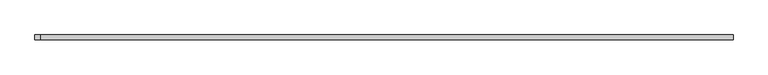
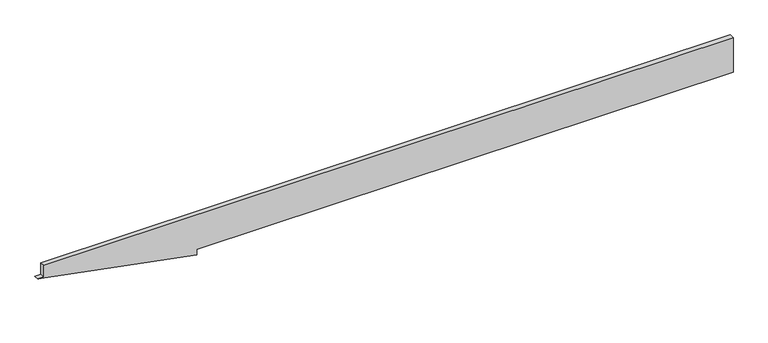
"""IFC4 building model written with IfcOpenShell, lengths in millimetres: plate geometry."""

from ifc_helpers import new_model, si_unit, frame, origin, place, context, project, spatial, polyline, outline, extrude, source, transform, mapped, element, save


def plate_e84af1c8(model_context):
    return source(origin(), model_context, "Body", "SweptSolid", [
        extrude(outline(polyline([(0.0, -778.2053409), (25.0, -778.2053409), (25.0, 1434.1666667), (175.0, 1434.1666667), (175.0, -1409.1666667), (125.4882536, -1409.1666667), (125.4882536, -1434.1666667), (0.0, -778.2053409)])), frame((0.0, 20.0, 0.0), z_axis=(0.0, 1.0, 0.0), x_axis=(0.0, 0.0, 1.0)), (0.0, 0.0, 1.0), 20.0),
    ])


if __name__ == "__main__":
    model = new_model("IFC4")
    model_context = context("Model", 3, world=origin())
    ifc_project = project(units=[si_unit("LENGTHUNIT", "METRE", prefix="MILLI")], contexts=[model_context])
    site = spatial("IfcSite", under=ifc_project)
    building = spatial("IfcBuilding", under=site)
    placement = place(None, origin())
    plate_shape = plate_e84af1c8(model_context)
    element("IfcPlate", 1, at=placement, inside=building, context=model_context, shape_type="MappedRepresentation", body=[
        mapped(plate_shape, transform((0.0, 0.0, 0.0), x_axis=(1.0, 0.0, 0.0), y_axis=(0.0, 1.0, 0.0), z_axis=(0.0, 0.0, 1.0))),
    ])
    save(model, "model.ifc")
